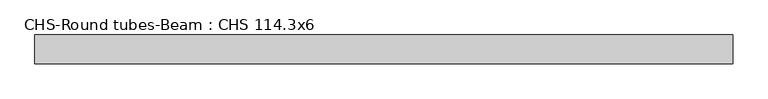
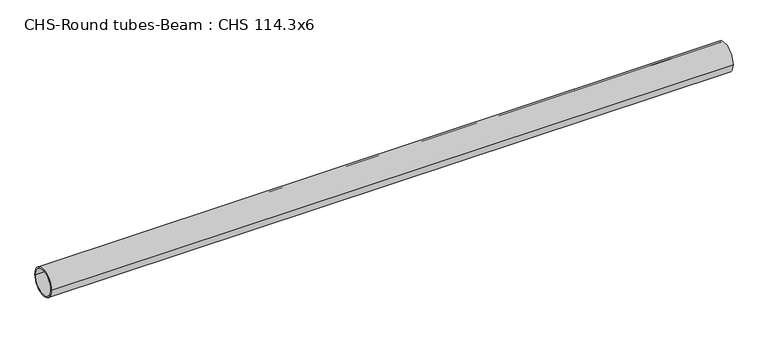
"""IFC4 building model written with IfcOpenShell, lengths in millimetres: beam geometry, CHS-Round tubes-Beam : CHS 114.3x6."""

from ifc_helpers import new_model, si_unit, point, frame, origin, origin_2d, place, context, project, spatial, circle_curve, trimmed, segment, composite_curve, outline, extrude, source, transform, mapped, element, save


def chs_round_tubes_beam_chs_114_3x6_79518b02(model_context):
    return source(origin(), model_context, "Body", "SweptSolid", [
        extrude(outline(composite_curve([segment(trimmed(circle_curve(origin_2d(), 57.15), [point((57.15, 0.0))], [point((-57.15, 0.0))], False, "CARTESIAN"), True, "CONTINUOUS"), segment(trimmed(circle_curve(origin_2d(), 57.15), [point((-57.15, 0.0))], [point((57.15, 0.0))], False, "CARTESIAN"), True, "CONTINUOUS")], self_intersect=False), holes=[composite_curve([segment(trimmed(circle_curve(origin_2d(), 51.15), [point((51.15, 0.0))], [point((-51.15, 0.0))], True, "CARTESIAN"), True, "CONTINUOUS"), segment(trimmed(circle_curve(origin_2d(), 51.15), [point((-51.15, 0.0))], [point((51.15, 0.0))], True, "CARTESIAN"), True, "CONTINUOUS")], self_intersect=False)]), frame((-1361.4509815, 0.0, 0.0), z_axis=(1.0, 0.0, 0.0), x_axis=(0.0, 1.0, 0.0)), (0.0, 0.0, 1.0), 2754.4003588),
    ])


if __name__ == "__main__":
    model = new_model("IFC4")
    model_context = context("Model", 3, world=origin())
    ifc_project = project(units=[si_unit("LENGTHUNIT", "METRE", prefix="MILLI")], contexts=[model_context])
    site = spatial("IfcSite", under=ifc_project)
    building = spatial("IfcBuilding", under=site)
    placement = place(None, origin())
    chs_round_tubes_beam_chs_114_3x6_shape = chs_round_tubes_beam_chs_114_3x6_79518b02(model_context)
    element("IfcBeam", 1, ObjectType="CHS-Round tubes-Beam : CHS 114.3x6", at=placement, inside=building, context=model_context, shape_type="MappedRepresentation", body=[
        mapped(chs_round_tubes_beam_chs_114_3x6_shape, transform((0.0, 0.0, 0.0), x_axis=(1.0, 0.0, 0.0), y_axis=(0.0, 1.0, 0.0), z_axis=(0.0, 0.0, 1.0))),
    ])
    save(model, "model.ifc")
